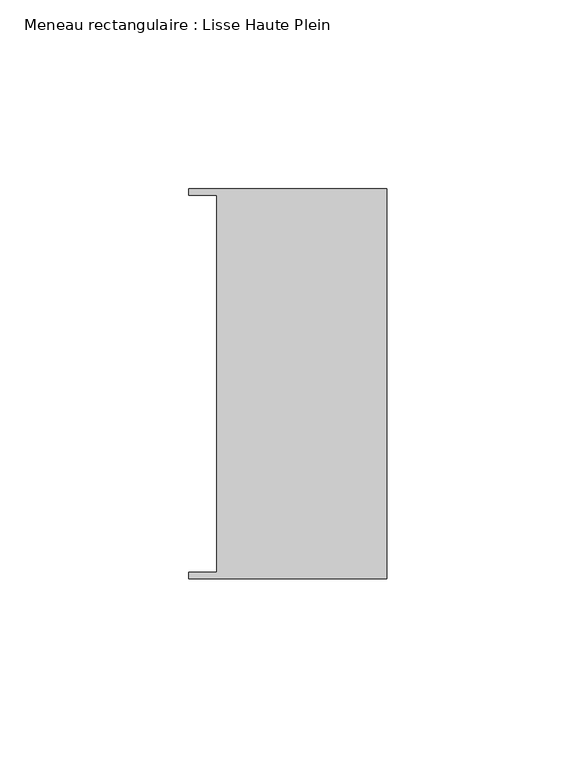
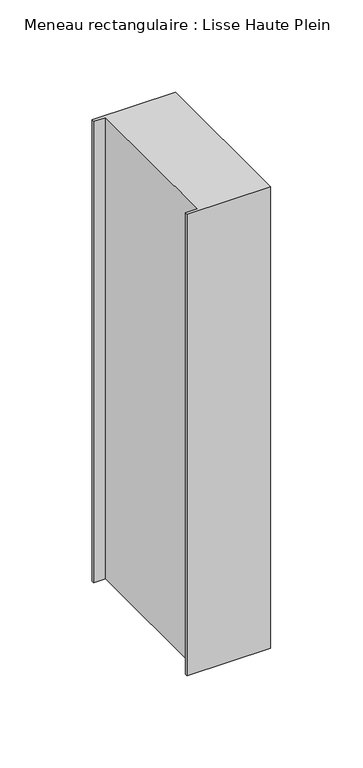
"""IFC4 building model written with IfcOpenShell, lengths in millimetres: member geometry, Meneau rectangulaire : Lisse Haute Plein."""

from ifc_helpers import new_model, si_unit, frame, origin, place, context, project, spatial, polyline, outline, extrude, source, transform, mapped, element, save


def meneau_rectangulaire_lisse_haute_plein_89539189(model_context):
    return source(origin(), model_context, "Body", "SweptSolid", [
        extrude(outline(polyline([(-44.9064331, 49.9174073), (-52.3, 49.9174073), (-52.3, 51.585934), (0.0, 51.585934), (0.0, -51.6011428), (-52.3, -51.6011428), (-52.3, -49.9174073), (-44.9064331, -49.9174073), (-44.9064331, 49.9174073)])), frame((0.0, 0.0, -305.3555092), z_axis=(0.0, 0.0, 1.0), x_axis=(1.0, 0.0, 0.0)), (0.0, 0.0, 1.0), 305.3555092),
    ])


if __name__ == "__main__":
    model = new_model("IFC4")
    model_context = context("Model", 3, world=origin())
    ifc_project = project(units=[si_unit("LENGTHUNIT", "METRE", prefix="MILLI")], contexts=[model_context])
    site = spatial("IfcSite", under=ifc_project)
    building = spatial("IfcBuilding", under=site)
    placement = place(None, origin())
    meneau_rectangulaire_lisse_haute_plein_shape = meneau_rectangulaire_lisse_haute_plein_89539189(model_context)
    element("IfcMember", 1, ObjectType="Meneau rectangulaire : Lisse Haute Plein", at=placement, inside=building, context=model_context, shape_type="MappedRepresentation", body=[
        mapped(meneau_rectangulaire_lisse_haute_plein_shape, transform((0.0, 0.0, 0.0), x_axis=(1.0, 0.0, 0.0), y_axis=(0.0, 1.0, 0.0), z_axis=(0.0, 0.0, 1.0))),
    ])
    save(model, "model.ifc")
